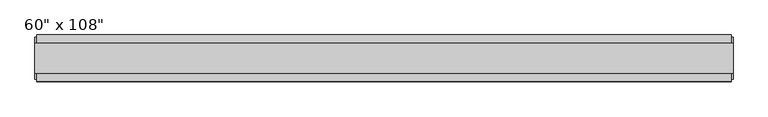
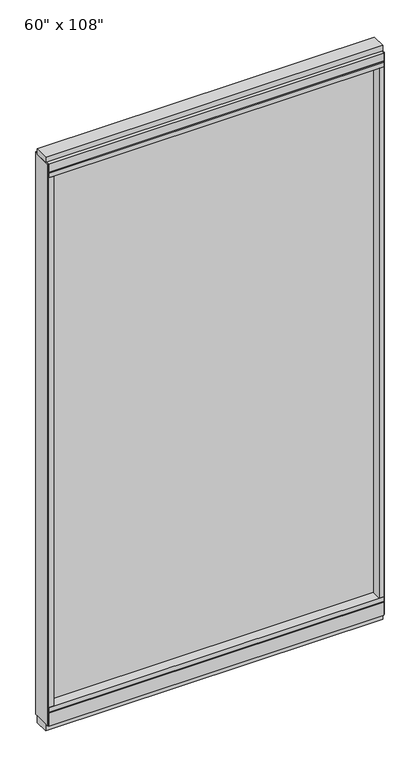
"""IFC4 building model written with IfcOpenShell, lengths in millimetres: furniture geometry."""

import ifcopenshell
import ifcopenshell.guid

model = None  # the IFC model being written
_history = None  # IfcOwnerHistory: only IFC2X3 demands one
_inside = {}  # id of a spatial element -> (the spatial element, [elements in it])
_under = {}  # id of a project, library or spatial element -> (it, [spatial elements below it])
_declared = {}  # id of a project -> (the project, [libraries it declares])
_typed = {}  # id of a type object -> (the type object, [elements of that type])
_made_of = {}  # id of a material, layer set ... -> (it, [elements and type objects made of it])


def new_model(schema):
    """Start an empty IFC model of exactly this schema.

    Asked for "IFC4X3", IfcOpenShell would pick the latest addendum, in which some entities
    have other attributes; the version numbers below select the first issue.
    IFC2X3 requires an IfcOwnerHistory on every rooted entity: one is made here for all.
    """
    global model, _history
    if schema == "IFC4X3":
        model = ifcopenshell.file(schema_version=(4, 3, 0, 0))
    else:
        model = ifcopenshell.file(schema=schema)
    _inside.clear()
    _under.clear()
    _declared.clear()
    _typed.clear()
    _made_of.clear()
    _history = None
    if model.schema == "IFC2X3":
        org = make("IfcOrganization", Name="unknown")
        user = make(
            "IfcPersonAndOrganization",
            ThePerson=make("IfcPerson", FamilyName="unknown"),
            TheOrganization=org,
        )
        app = make(
            "IfcApplication",
            ApplicationDeveloper=org,
            Version="unknown",
            ApplicationFullName="unknown",
            ApplicationIdentifier="unknown",
        )
        _history = make(
            "IfcOwnerHistory",
            OwningUser=user,
            OwningApplication=app,
            ChangeAction="ADDED",
            CreationDate=0,
        )
    return model


def make(cls, **values):
    """One entity of the class cls with the attributes given. An attribute that is None is left unset."""
    return model.create_entity(
        cls, **{name: value for name, value in values.items() if value is not None}
    )


def rooted(cls, **values):
    """An entity with a GlobalId (a new one), such as an element, a storey or a relation."""
    return make(cls, GlobalId=ifcopenshell.guid.new(), OwnerHistory=_history, **values)


def si_unit(unit_type, name, prefix=None):
    """IfcSIUnit, for example si_unit("LENGTHUNIT", "METRE", prefix="MILLI")."""
    return make("IfcSIUnit", UnitType=unit_type, Prefix=prefix, Name=name)


def assignment(units):
    """IfcUnitAssignment: the units of a project."""
    return None if units is None else make("IfcUnitAssignment", Units=units)


def point(xyz):
    """IfcCartesianPoint."""
    return None if xyz is None else make("IfcCartesianPoint", Coordinates=xyz)


def direction(xyz):
    """IfcDirection."""
    return None if xyz is None else make("IfcDirection", DirectionRatios=xyz)


def frame(location, z_axis=None, x_axis=None):
    """IfcAxis2Placement3D, a coordinate frame: its origin and axes. An axis left out is left unset."""
    return make(
        "IfcAxis2Placement3D",
        Location=point(location),
        Axis=direction(z_axis),
        RefDirection=direction(x_axis),
    )


def origin():
    """The frame at (0, 0, 0) with its axes left unset."""
    return frame((0.0, 0.0, 0.0))


def origin_with_axes():
    """The frame at (0, 0, 0) with the z axis (0, 0, 1) and the x axis (1, 0, 0) written out."""
    return frame((0.0, 0.0, 0.0), z_axis=(0.0, 0.0, 1.0), x_axis=(1.0, 0.0, 0.0))


def place(relative_to, where):
    """IfcLocalPlacement: puts the frame where relative to a parent placement (None: the world)."""
    return make(
        "IfcLocalPlacement", PlacementRelTo=relative_to, RelativePlacement=where
    )


def context(
    kind, dimensions, precision=None, world=None, true_north=None, identifier=None
):
    """IfcGeometricRepresentationContext, for example the 3D "Model" context."""
    return make(
        "IfcGeometricRepresentationContext",
        ContextIdentifier=identifier,
        ContextType=kind,
        CoordinateSpaceDimension=dimensions,
        Precision=precision,
        WorldCoordinateSystem=world,
        TrueNorth=true_north,
    )


def project(units=None, contexts=None):
    """IfcProject with its units and contexts."""
    return rooted(
        "IfcProject",
        Name="project",
        RepresentationContexts=contexts,
        UnitsInContext=assignment(units),
    )


def spatial(cls, under=None, at=None, **own):
    """A site, building, storey or space (cls), placed at a placement, below another one or the project."""
    s = rooted(cls, ObjectPlacement=at, **own)
    if under is not None:
        _under.setdefault(under.id(), (under, []))[1].append(s)
    return s


def polyline(points):
    """IfcPolyline through the points."""
    return make("IfcPolyline", Points=[point(p) for p in points])


def outline(outer, holes=None, kind="AREA"):
    """IfcArbitraryClosedProfileDef: a profile drawn as a closed curve; with holes, ...WithVoids."""
    if holes is None:
        return make("IfcArbitraryClosedProfileDef", ProfileType=kind, OuterCurve=outer)
    return make(
        "IfcArbitraryProfileDefWithVoids",
        ProfileType=kind,
        OuterCurve=outer,
        InnerCurves=holes,
    )


def extrude(swept, where, along, depth):
    """IfcExtrudedAreaSolid: the profile swept, set in the frame where, extruded along a direction by depth."""
    return make(
        "IfcExtrudedAreaSolid",
        SweptArea=swept,
        Position=where,
        ExtrudedDirection=direction(along),
        Depth=depth,
    )


def shape(context_of_items, identifier, shape_type, items):
    """IfcShapeRepresentation: the items that make up one representation, for example the "Body"."""
    return make(
        "IfcShapeRepresentation",
        ContextOfItems=context_of_items,
        RepresentationIdentifier=identifier,
        RepresentationType=shape_type,
        Items=items,
    )


def source(mapping_origin, context_of_items, identifier, shape_type, items):
    """IfcRepresentationMap: a shape defined once, which mapped items show again and again."""
    return make(
        "IfcRepresentationMap",
        MappingOrigin=mapping_origin,
        MappedRepresentation=shape(context_of_items, identifier, shape_type, items),
    )


def transform(
    local_origin,
    x_axis=None,
    y_axis=None,
    z_axis=None,
    scale=None,
    scale2=None,
    scale3=None,
    uniform=True,
):
    """IfcCartesianTransformationOperator3D, or its non-uniform kind. x_axis, y_axis, z_axis: its Axis1, 2, 3."""
    if uniform:
        return make(
            "IfcCartesianTransformationOperator3D",
            Axis1=direction(x_axis),
            Axis2=direction(y_axis),
            LocalOrigin=point(local_origin),
            Scale=scale,
            Axis3=direction(z_axis),
        )
    return make(
        "IfcCartesianTransformationOperator3DnonUniform",
        Axis1=direction(x_axis),
        Axis2=direction(y_axis),
        LocalOrigin=point(local_origin),
        Scale=scale,
        Axis3=direction(z_axis),
        Scale2=scale2,
        Scale3=scale3,
    )


def mapped(mapping_source, mapping_target):
    """IfcMappedItem: shows the shape of a source again, moved by a transform."""
    return make(
        "IfcMappedItem", MappingSource=mapping_source, MappingTarget=mapping_target
    )


def made_of(thing, what):
    """Note that an element or type object is made of a material, layer set ...; save() writes the relation."""
    if what is not None:
        _made_of.setdefault(what.id(), (what, []))[1].append(thing)
    return thing


def element(
    cls,
    number,
    at=None,
    inside=None,
    cuts=None,
    type_object=None,
    material=None,
    context=None,
    identifier="Body",
    shape_type=None,
    held_by="IfcProductDefinitionShape",
    body=None,
    shapes=None,
    **own,
):
    """One element of the class cls, such as IfcWall. Its Tag is "e" and its number.

    at: its placement. inside: the storey or other place that contains it. cuts: it is an
    opening in that element (IfcRelVoidsElement). A single representation is given by context,
    identifier, shape_type and body (its items); several are given by shapes. held_by: the class
    of the entity that holds the representations. save() writes the other relations.
    """
    e = rooted(cls, Tag="e%d" % number, ObjectPlacement=at, **own)
    if body is not None:
        shapes = [shape(context, identifier, shape_type, body)]
    if shapes is not None:
        e.Representation = make(held_by, Representations=shapes)
    if inside is not None:
        _inside.setdefault(inside.id(), (inside, []))[1].append(e)
    if cuts is not None:
        rooted(
            "IfcRelVoidsElement", RelatingBuildingElement=cuts, RelatedOpeningElement=e
        )
    if type_object is not None:
        _typed.setdefault(type_object.id(), (type_object, []))[1].append(e)
    return made_of(e, material)


def aggregate(whole, parts):
    """IfcRelAggregates: a whole, such as a stair, and the parts it consists of."""
    return rooted("IfcRelAggregates", RelatingObject=whole, RelatedObjects=parts)


def save(model, path):
    """Write the relations noted so far, then the file.

    IfcRelAggregates (storeys below a building ...), IfcRelContainedInSpatialStructure (elements
    in a storey), IfcRelDefinesByType, IfcRelAssociatesMaterial and IfcRelDeclares: one each for
    every whole, place, type object, material and project.
    """
    for whole, parts in _under.values():
        aggregate(whole, parts)
    for where, things in _inside.values():
        rooted(
            "IfcRelContainedInSpatialStructure",
            RelatedElements=things,
            RelatingStructure=where,
        )
    for kind, things in _typed.values():
        rooted("IfcRelDefinesByType", RelatedObjects=things, RelatingType=kind)
    for what, things in _made_of.values():
        rooted("IfcRelAssociatesMaterial", RelatedObjects=things, RelatingMaterial=what)
    for by, libraries in _declared.values():
        rooted("IfcRelDeclares", RelatingContext=by, RelatedDefinitions=libraries)
    model.write(path)


def furniture_805cba5c(model_context):
    return source(origin(), model_context, "Body", "SweptSolid", [
        extrude(outline(polyline([(675.8014771, 9.5977216), (675.8014771, -0.5622784), (-795.8745229, -0.5622784), (-795.8745229, 9.5977216), (675.8014771, 9.5977216)])), frame((0.0, 0.0, 120.523), z_axis=(0.0, 0.0, 1.0), x_axis=(1.0, 0.0, 0.0)), (0.0, 0.0, 1.0), 2533.777),
        extrude(outline(polyline([(55.3177216, 93.345), (55.3177216, 31.75), (-46.2822784, 31.75), (-46.2822784, 93.345), (-41.3292784, 93.345), (-41.3292784, 98.298), (50.3647216, 98.298), (50.3647216, 93.345), (55.3177216, 93.345)])), frame((-818.0995229, 0.0, 0.0), z_axis=(1.0, 0.0, 0.0), x_axis=(0.0, 1.0, 0.0)), (0.0, 0.0, 1.0), 1516.126),
        extrude(outline(polyline([(-818.0995229, 55.3177216), (698.0264771, 55.3177216), (698.0264771, -46.2822784), (-818.0995229, -46.2822784), (-818.0995229, 55.3177216)])), frame((0.0, 0.0, 98.298), z_axis=(0.0, 0.0, 1.0), x_axis=(1.0, 0.0, 0.0)), (0.0, 0.0, 1.0), 22.225),
        extrude(outline(polyline([(701.9634771, -27.9942784), (-822.0365229, -27.9942784), (-822.0365229, 37.0297216), (701.9634771, 37.0297216), (701.9634771, -27.9942784)])), origin_with_axes(), (0.0, 0.0, 1.0), 31.75),
        extrude(outline(polyline([(-822.0365229, 37.0297216), (701.9634771, 37.0297216), (701.9634771, -27.9942784), (-822.0365229, -27.9942784), (-822.0365229, 37.0297216)])), frame((0.0, 0.0, 2717.8), z_axis=(0.0, 0.0, 1.0), x_axis=(1.0, 0.0, 0.0)), (0.0, 0.0, 1.0), 25.4),
        extrude(outline(polyline([(55.3177216, 2681.478), (50.3647216, 2681.478), (50.3647216, 2676.525), (-41.3292784, 2676.525), (-41.3292784, 2681.478), (-46.2822784, 2681.478), (-46.2822784, 2717.8), (55.3177216, 2717.8), (55.3177216, 2681.478)])), frame((-818.0995229, 0.0, 0.0), z_axis=(1.0, 0.0, 0.0), x_axis=(0.0, 1.0, 0.0)), (0.0, 0.0, 1.0), 1516.126),
        extrude(outline(polyline([(698.0264771, -46.2822784), (-818.0995229, -46.2822784), (-818.0995229, 55.3177216), (698.0264771, 55.3177216), (698.0264771, -46.2822784)])), frame((0.0, 0.0, 2654.3), z_axis=(0.0, 0.0, 1.0), x_axis=(1.0, 0.0, 0.0)), (0.0, 0.0, 1.0), 22.225),
        extrude(outline(polyline([(675.8014771, 55.3177216), (698.0264771, 55.3177216), (698.0264771, -46.2822784), (675.8014771, -46.2822784), (675.8014771, 55.3177216)])), frame((0.0, 0.0, 120.523), z_axis=(0.0, 0.0, 1.0), x_axis=(1.0, 0.0, 0.0)), (0.0, 0.0, 1.0), 2533.777),
        extrude(outline(polyline([(-795.8745229, 55.3177216), (-795.8745229, -46.2822784), (-818.0995229, -46.2822784), (-818.0995229, 55.3177216), (-795.8745229, 55.3177216)])), frame((0.0, 0.0, 120.523), z_axis=(0.0, 0.0, 1.0), x_axis=(1.0, 0.0, 0.0)), (0.0, 0.0, 1.0), 2533.777),
        extrude(outline(polyline([(701.9634771, 50.3647216), (701.9634771, -41.3292784), (698.0264771, -41.3292784), (698.0264771, 50.3647216), (701.9634771, 50.3647216)])), frame((0.0, 0.0, 31.75), z_axis=(0.0, 0.0, 1.0), x_axis=(1.0, 0.0, 0.0)), (0.0, 0.0, 1.0), 2686.05),
        extrude(outline(polyline([(-822.0365229, 50.3647216), (-818.0995229, 50.3647216), (-818.0995229, -41.3292784), (-822.0365229, -41.3292784), (-822.0365229, 50.3647216)])), frame((0.0, 0.0, 31.75), z_axis=(0.0, 0.0, 1.0), x_axis=(1.0, 0.0, 0.0)), (0.0, 0.0, 1.0), 2686.05),
    ])


if __name__ == "__main__":
    model = new_model("IFC4")
    model_context = context("Model", 3, world=origin())
    ifc_project = project(units=[si_unit("LENGTHUNIT", "METRE", prefix="MILLI")], contexts=[model_context])
    site = spatial("IfcSite", under=ifc_project)
    building = spatial("IfcBuilding", under=site)
    placement = place(None, origin())
    furniture_shape = furniture_805cba5c(model_context)
    element("IfcFurniture", 1, ObjectType="60\" x 108\"", at=placement, inside=building, context=model_context, shape_type="MappedRepresentation", body=[
        mapped(furniture_shape, transform((0.0, 0.0, 0.0), x_axis=(1.0, 0.0, 0.0), y_axis=(0.0, 1.0, 0.0), z_axis=(0.0, 0.0, 1.0))),
    ])
    save(model, "model.ifc")
